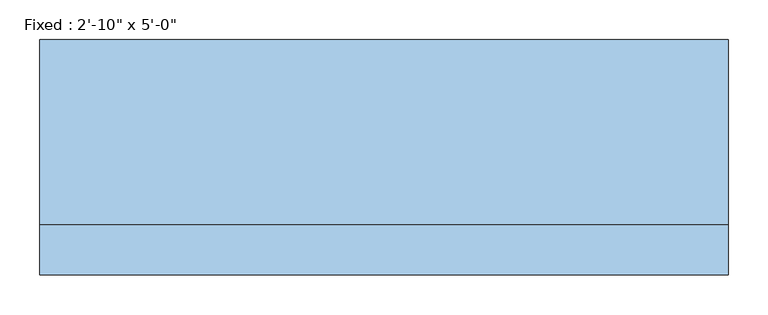
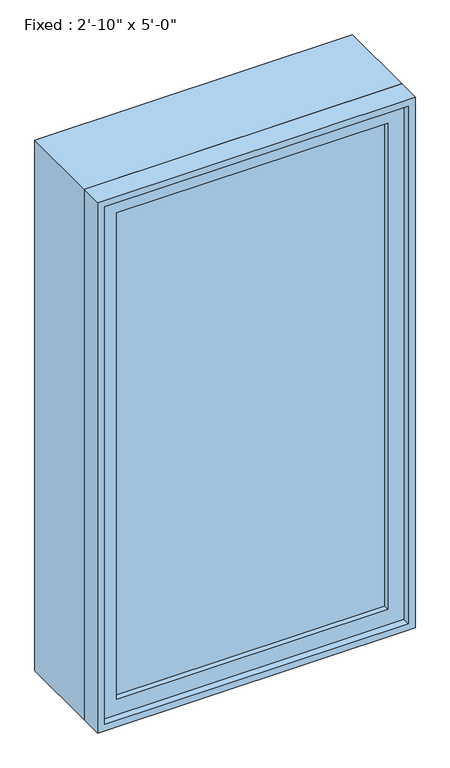
"""IFC4 building model written with IfcOpenShell, lengths in millimetres: window geometry."""

from ifc_helpers import new_model, si_unit, frame, origin, place, context, project, spatial, polyline, outline, extrude, source, transform, mapped, element, save


def window_a241bc84(model_context):
    return source(origin(), model_context, "Body", "SweptSolid", [
        extrude(outline(polyline([(330.2, -100.0125), (330.2, -112.7125), (-406.4, -112.7125), (-406.4, -100.0125), (330.2, -100.0125)])), frame((0.0, 0.0, 927.1), z_axis=(0.0, 0.0, 1.0), x_axis=(1.0, 0.0, 0.0)), (0.0, 0.0, 1.0), 1397.0),
        extrude(outline(polyline([(2368.55, -450.85), (882.65, -450.85), (882.65, 374.65), (2368.55, 374.65), (2368.55, -450.85)]), holes=[polyline([(2324.1, -406.4), (2324.1, 330.2), (927.1, 330.2), (927.1, -406.4), (2324.1, -406.4)])]), frame((0.0, -128.5875, 0.0), z_axis=(0.0, 1.0, 0.0), x_axis=(0.0, 0.0, 1.0)), (0.0, 0.0, 1.0), 44.45),
        extrude(outline(polyline([(2387.6, -469.9), (863.6, -469.9), (863.6, 393.7), (2387.6, 393.7), (2387.6, -469.9)]), holes=[polyline([(2355.85, -438.15), (2355.85, 361.95), (895.35, 361.95), (895.35, -438.15), (2355.85, -438.15)])]), frame((0.0, -84.1375, 0.0), z_axis=(0.0, 1.0, 0.0), x_axis=(0.0, 0.0, 1.0)), (0.0, 0.0, 1.0), 231.775),
        extrude(outline(polyline([(2387.6, 393.7), (2387.6, -469.9), (863.6, -469.9), (863.6, 393.7), (2387.6, 393.7)]), holes=[polyline([(2368.55, 374.65), (882.65, 374.65), (882.65, -450.85), (2368.55, -450.85), (2368.55, 374.65)])]), frame((0.0, -147.6375, 0.0), z_axis=(0.0, 1.0, 0.0), x_axis=(0.0, 0.0, 1.0)), (0.0, 0.0, 1.0), 63.5),
    ])


if __name__ == "__main__":
    model = new_model("IFC4")
    model_context = context("Model", 3, world=origin())
    ifc_project = project(units=[si_unit("LENGTHUNIT", "METRE", prefix="MILLI")], contexts=[model_context])
    site = spatial("IfcSite", under=ifc_project)
    building = spatial("IfcBuilding", under=site)
    placement = place(None, origin())
    window_shape = window_a241bc84(model_context)
    element("IfcWindow", 1, ObjectType="Fixed : 2'-10\" x 5'-0\"", at=placement, inside=building, context=model_context, shape_type="MappedRepresentation", body=[
        mapped(window_shape, transform((0.0, 0.0, 0.0), x_axis=(1.0, 0.0, 0.0), y_axis=(0.0, 1.0, 0.0), z_axis=(0.0, 0.0, 1.0))),
    ])
    save(model, "model.ifc")
